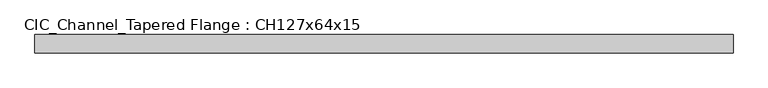
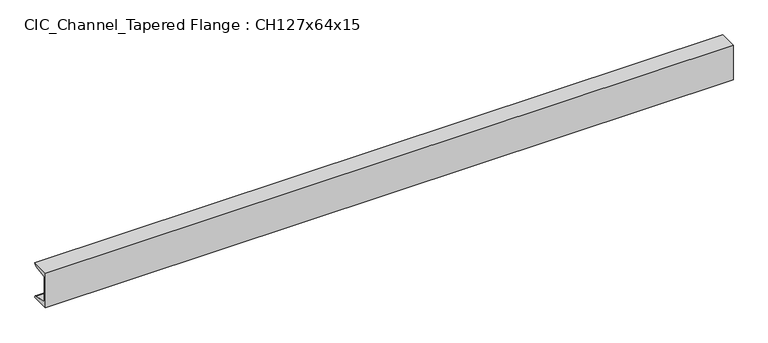
"""IFC4 building model written with IfcOpenShell, lengths in millimetres: beam geometry, CIC_Channel_Tapered Flange : CH127x64x15."""

from ifc_helpers import new_model, si_unit, point, frame, frame_2d, origin, place, context, project, spatial, polyline, circle_curve, trimmed, segment, composite_curve, outline, extrude, source, transform, mapped, element, save


def cic_channel_tapered_flange_ch127x64x15_81e82303(model_context):
    return source(origin(), model_context, "Body", "SweptSolid", [
        extrude(outline(composite_curve([segment(polyline([(-19.4, 63.5), (44.1, 63.5)]), True, "CONTINUOUS"), segment(trimmed(circle_curve(frame_2d((34.9, 63.5)), 9.2), [point((44.1, 63.5))], [point((34.9, 54.3))], False, "CARTESIAN"), True, "CONTINUOUS"), segment(polyline([(34.9, 54.3), (-13.0, 46.7133853), (-13.0, -46.7133853), (34.9, -54.3)]), True, "CONTINUOUS"), segment(trimmed(circle_curve(frame_2d((34.9, -63.5)), 9.2), [point((34.9, -54.3))], [point((44.1, -63.5))], False, "CARTESIAN"), True, "CONTINUOUS"), segment(polyline([(44.1, -63.5), (-19.4, -63.5), (-19.4, 63.5)]), True, "CONTINUOUS")], self_intersect=False)), frame((-1202.85, 0.0, 0.0), z_axis=(1.0, 0.0, 0.0), x_axis=(0.0, 1.0, 0.0)), (0.0, 0.0, 1.0), 2393.0),
    ])


if __name__ == "__main__":
    model = new_model("IFC4")
    model_context = context("Model", 3, world=origin())
    ifc_project = project(units=[si_unit("LENGTHUNIT", "METRE", prefix="MILLI")], contexts=[model_context])
    site = spatial("IfcSite", under=ifc_project)
    building = spatial("IfcBuilding", under=site)
    placement = place(None, origin())
    cic_channel_tapered_flange_ch127x64x15_shape = cic_channel_tapered_flange_ch127x64x15_81e82303(model_context)
    element("IfcBeam", 1, ObjectType="CIC_Channel_Tapered Flange : CH127x64x15", at=placement, inside=building, context=model_context, shape_type="MappedRepresentation", body=[
        mapped(cic_channel_tapered_flange_ch127x64x15_shape, transform((0.0, 0.0, 0.0), x_axis=(1.0, 0.0, 0.0), y_axis=(0.0, 1.0, 0.0), z_axis=(0.0, 0.0, 1.0))),
    ])
    save(model, "model.ifc")
